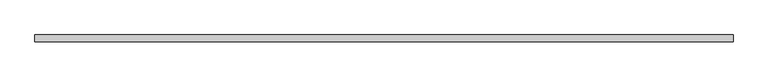
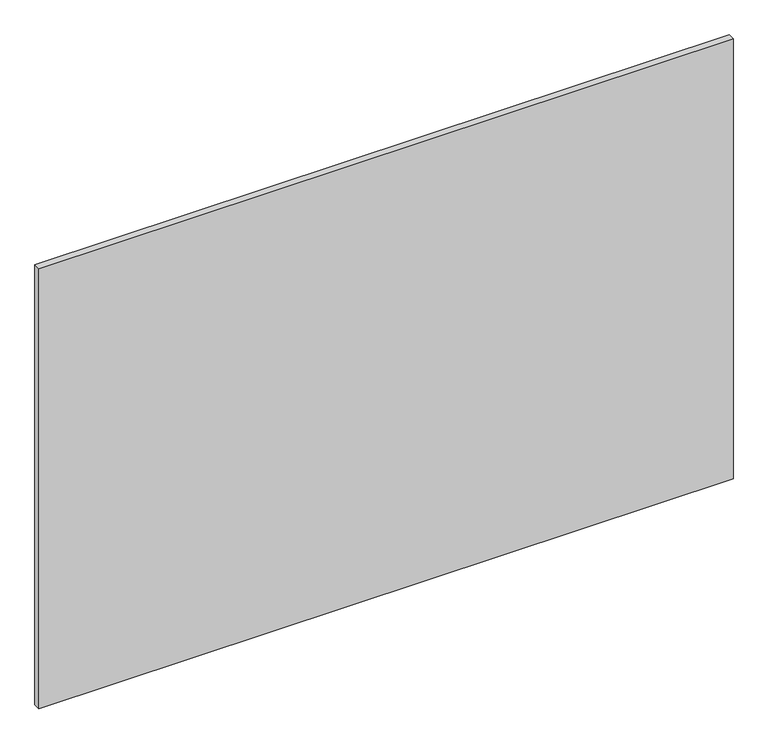
"""IFC4 building model written with IfcOpenShell, lengths in millimetres: plate geometry."""

from ifc_helpers import new_model, si_unit, origin, origin_with_axes, place, context, project, spatial, polyline, outline, extrude, source, transform, mapped, element, save


def plate_bbe8482b(model_context):
    return source(origin(), model_context, "Body", "SweptSolid", [
        extrude(outline(polyline([(632.5, 6.0), (632.5, -6.0), (-632.5, -6.0), (-632.5, 6.0), (632.5, 6.0)])), origin_with_axes(), (0.0, 0.0, 1.0), 847.5),
    ])


if __name__ == "__main__":
    model = new_model("IFC4")
    model_context = context("Model", 3, world=origin())
    ifc_project = project(units=[si_unit("LENGTHUNIT", "METRE", prefix="MILLI")], contexts=[model_context])
    site = spatial("IfcSite", under=ifc_project)
    building = spatial("IfcBuilding", under=site)
    placement = place(None, origin())
    plate_shape = plate_bbe8482b(model_context)
    element("IfcPlate", 1, at=placement, inside=building, context=model_context, shape_type="MappedRepresentation", body=[
        mapped(plate_shape, transform((0.0, 0.0, 0.0), x_axis=(1.0, 0.0, 0.0), y_axis=(0.0, 1.0, 0.0), z_axis=(0.0, 0.0, 1.0))),
    ])
    save(model, "model.ifc")
